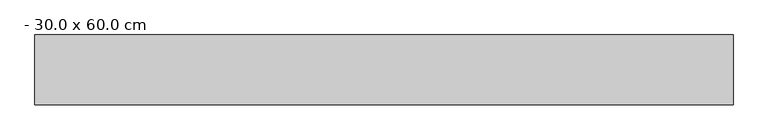
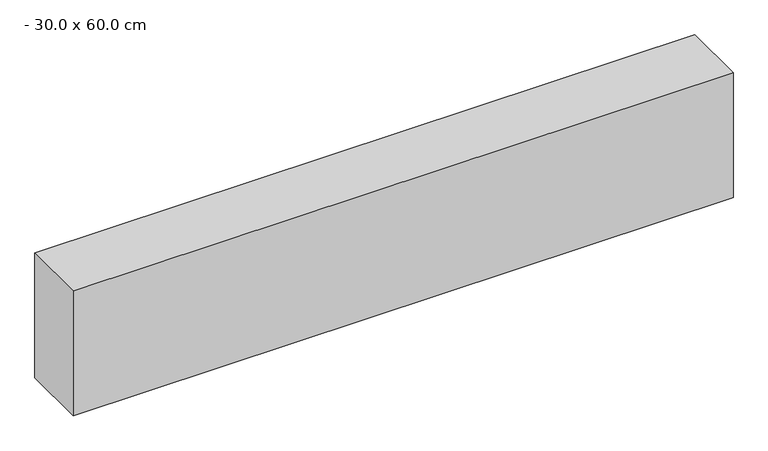
"""IFC4 building model written with IfcOpenShell, lengths in millimetres: beam geometry, - 30.0 x 60.0 cm."""

from ifc_helpers import new_model, si_unit, frame, origin, place, context, project, spatial, polyline, outline, extrude, source, transform, mapped, element, save


def beam_30_0_x_60_0_cm_c8492b91(model_context):
    return source(origin(), model_context, "Body", "SweptSolid", [
        extrude(outline(polyline([(1500.0, 150.0), (1500.0, -150.0), (-1500.0, -150.0), (-1500.0, 150.0), (1500.0, 150.0)])), frame((0.0, 0.0, -300.0), z_axis=(0.0, 0.0, 1.0), x_axis=(1.0, 0.0, 0.0)), (0.0, 0.0, 1.0), 600.0),
    ])


if __name__ == "__main__":
    model = new_model("IFC4")
    model_context = context("Model", 3, world=origin())
    ifc_project = project(units=[si_unit("LENGTHUNIT", "METRE", prefix="MILLI")], contexts=[model_context])
    site = spatial("IfcSite", under=ifc_project)
    building = spatial("IfcBuilding", under=site)
    placement = place(None, origin())
    beam_30_0_x_60_0_cm_shape = beam_30_0_x_60_0_cm_c8492b91(model_context)
    element("IfcBeam", 1, ObjectType="- 30.0 x 60.0 cm", at=placement, inside=building, context=model_context, shape_type="MappedRepresentation", body=[
        mapped(beam_30_0_x_60_0_cm_shape, transform((0.0, 0.0, 0.0), x_axis=(1.0, 0.0, 0.0), y_axis=(0.0, 1.0, 0.0), z_axis=(0.0, 0.0, 1.0))),
    ])
    save(model, "model.ifc")
